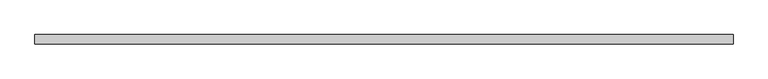
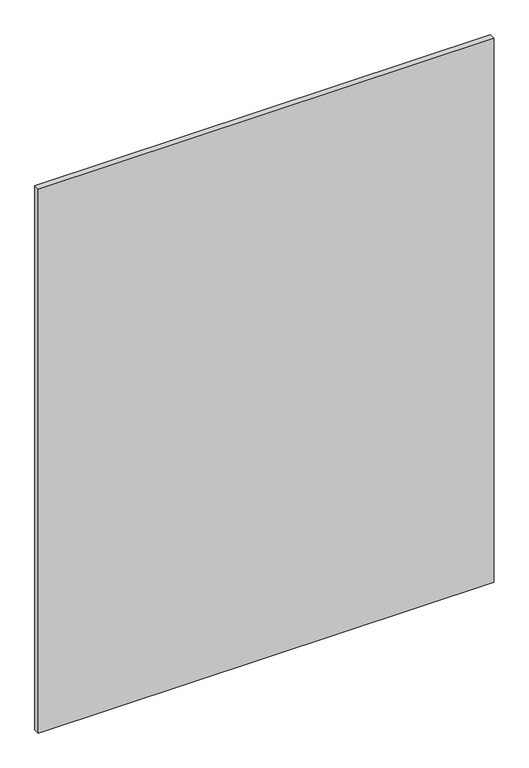
"""IFC4 building model written with IfcOpenShell, lengths in millimetres: plate geometry."""

from ifc_helpers import new_model, si_unit, origin, origin_with_axes, place, context, project, spatial, polyline, outline, extrude, source, transform, mapped, element, save


def plate_e382fc7d(model_context):
    return source(origin(), model_context, "Body", "SweptSolid", [
        extrude(outline(polyline([(698.7189453, -9.525), (-698.7189453, -9.525), (-698.7189453, 9.525), (698.7189453, 9.525), (698.7189453, -9.525)])), origin_with_axes(), (0.0, 0.0, 1.0), 1761.3),
    ])


if __name__ == "__main__":
    model = new_model("IFC4")
    model_context = context("Model", 3, world=origin())
    ifc_project = project(units=[si_unit("LENGTHUNIT", "METRE", prefix="MILLI")], contexts=[model_context])
    site = spatial("IfcSite", under=ifc_project)
    building = spatial("IfcBuilding", under=site)
    placement = place(None, origin())
    plate_shape = plate_e382fc7d(model_context)
    element("IfcPlate", 1, at=placement, inside=building, context=model_context, shape_type="MappedRepresentation", body=[
        mapped(plate_shape, transform((0.0, 0.0, 0.0), x_axis=(1.0, 0.0, 0.0), y_axis=(0.0, 1.0, 0.0), z_axis=(0.0, 0.0, 1.0))),
    ])
    save(model, "model.ifc")
